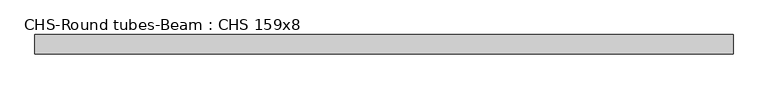
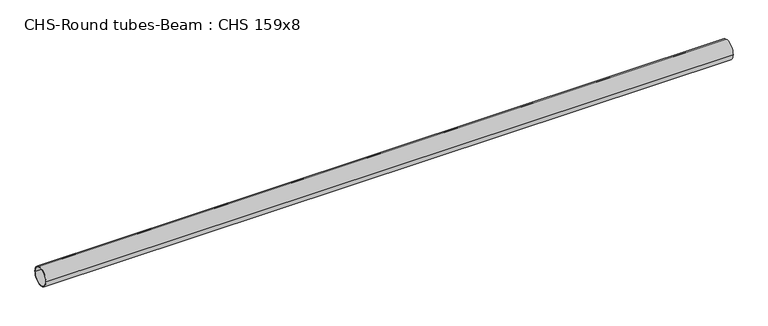
"""IFC4 building model written with IfcOpenShell, lengths in millimetres: beam geometry, CHS-Round tubes-Beam : CHS 159x8."""

from ifc_helpers import new_model, si_unit, point, frame, origin, origin_2d, place, context, project, spatial, circle_curve, trimmed, segment, composite_curve, outline, extrude, source, transform, mapped, element, save


def chs_round_tubes_beam_chs_159x8_1a528c28(model_context):
    return source(origin(), model_context, "Body", "SweptSolid", [
        extrude(outline(composite_curve([segment(trimmed(circle_curve(origin_2d(), 79.5), [point((79.5, 0.0))], [point((-79.5, 0.0))], False, "CARTESIAN"), True, "CONTINUOUS"), segment(trimmed(circle_curve(origin_2d(), 79.5), [point((-79.5, 0.0))], [point((79.5, 0.0))], False, "CARTESIAN"), True, "CONTINUOUS")], self_intersect=False), holes=[composite_curve([segment(trimmed(circle_curve(origin_2d(), 71.5), [point((71.5, 0.0))], [point((-71.5, 0.0))], True, "CARTESIAN"), True, "CONTINUOUS"), segment(trimmed(circle_curve(origin_2d(), 71.5), [point((-71.5, 0.0))], [point((71.5, 0.0))], True, "CARTESIAN"), True, "CONTINUOUS")], self_intersect=False)]), frame((-2804.7285003, 0.0, 0.0), z_axis=(1.0, 0.0, 0.0), x_axis=(0.0, 1.0, 0.0)), (0.0, 0.0, 1.0), 5746.0821111),
    ])


if __name__ == "__main__":
    model = new_model("IFC4")
    model_context = context("Model", 3, world=origin())
    ifc_project = project(units=[si_unit("LENGTHUNIT", "METRE", prefix="MILLI")], contexts=[model_context])
    site = spatial("IfcSite", under=ifc_project)
    building = spatial("IfcBuilding", under=site)
    placement = place(None, origin())
    chs_round_tubes_beam_chs_159x8_shape = chs_round_tubes_beam_chs_159x8_1a528c28(model_context)
    element("IfcBeam", 1, ObjectType="CHS-Round tubes-Beam : CHS 159x8", at=placement, inside=building, context=model_context, shape_type="MappedRepresentation", body=[
        mapped(chs_round_tubes_beam_chs_159x8_shape, transform((0.0, 0.0, 0.0), x_axis=(1.0, 0.0, 0.0), y_axis=(0.0, 1.0, 0.0), z_axis=(0.0, 0.0, 1.0))),
    ])
    save(model, "model.ifc")
